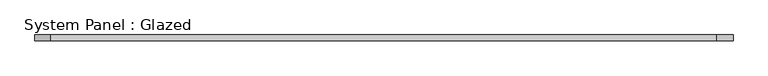
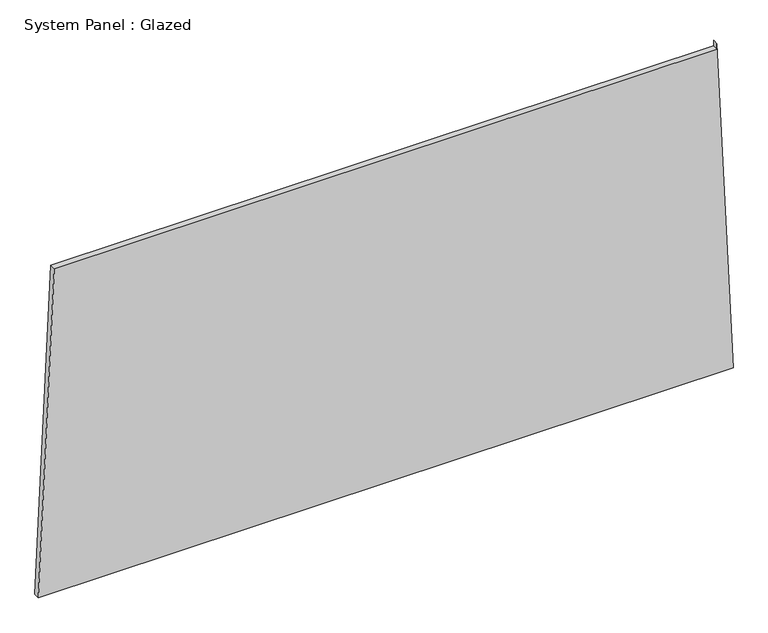
"""IFC4 building model written with IfcOpenShell, lengths in millimetres: plate geometry, System Panel : Glazed."""

import ifcopenshell
import ifcopenshell.guid

model = None  # the IFC model being written
_history = None  # IfcOwnerHistory: only IFC2X3 demands one
_inside = {}  # id of a spatial element -> (the spatial element, [elements in it])
_under = {}  # id of a project, library or spatial element -> (it, [spatial elements below it])
_declared = {}  # id of a project -> (the project, [libraries it declares])
_typed = {}  # id of a type object -> (the type object, [elements of that type])
_made_of = {}  # id of a material, layer set ... -> (it, [elements and type objects made of it])


def new_model(schema):
    """Start an empty IFC model of exactly this schema.

    Asked for "IFC4X3", IfcOpenShell would pick the latest addendum, in which some entities
    have other attributes; the version numbers below select the first issue.
    IFC2X3 requires an IfcOwnerHistory on every rooted entity: one is made here for all.
    """
    global model, _history
    if schema == "IFC4X3":
        model = ifcopenshell.file(schema_version=(4, 3, 0, 0))
    else:
        model = ifcopenshell.file(schema=schema)
    _inside.clear()
    _under.clear()
    _declared.clear()
    _typed.clear()
    _made_of.clear()
    _history = None
    if model.schema == "IFC2X3":
        org = make("IfcOrganization", Name="unknown")
        user = make(
            "IfcPersonAndOrganization",
            ThePerson=make("IfcPerson", FamilyName="unknown"),
            TheOrganization=org,
        )
        app = make(
            "IfcApplication",
            ApplicationDeveloper=org,
            Version="unknown",
            ApplicationFullName="unknown",
            ApplicationIdentifier="unknown",
        )
        _history = make(
            "IfcOwnerHistory",
            OwningUser=user,
            OwningApplication=app,
            ChangeAction="ADDED",
            CreationDate=0,
        )
    return model


def make(cls, **values):
    """One entity of the class cls with the attributes given. An attribute that is None is left unset."""
    return model.create_entity(
        cls, **{name: value for name, value in values.items() if value is not None}
    )


def rooted(cls, **values):
    """An entity with a GlobalId (a new one), such as an element, a storey or a relation."""
    return make(cls, GlobalId=ifcopenshell.guid.new(), OwnerHistory=_history, **values)


def si_unit(unit_type, name, prefix=None):
    """IfcSIUnit, for example si_unit("LENGTHUNIT", "METRE", prefix="MILLI")."""
    return make("IfcSIUnit", UnitType=unit_type, Prefix=prefix, Name=name)


def assignment(units):
    """IfcUnitAssignment: the units of a project."""
    return None if units is None else make("IfcUnitAssignment", Units=units)


def point(xyz):
    """IfcCartesianPoint."""
    return None if xyz is None else make("IfcCartesianPoint", Coordinates=xyz)


def direction(xyz):
    """IfcDirection."""
    return None if xyz is None else make("IfcDirection", DirectionRatios=xyz)


def frame(location, z_axis=None, x_axis=None):
    """IfcAxis2Placement3D, a coordinate frame: its origin and axes. An axis left out is left unset."""
    return make(
        "IfcAxis2Placement3D",
        Location=point(location),
        Axis=direction(z_axis),
        RefDirection=direction(x_axis),
    )


def origin():
    """The frame at (0, 0, 0) with its axes left unset."""
    return frame((0.0, 0.0, 0.0))


def place(relative_to, where):
    """IfcLocalPlacement: puts the frame where relative to a parent placement (None: the world)."""
    return make(
        "IfcLocalPlacement", PlacementRelTo=relative_to, RelativePlacement=where
    )


def context(
    kind, dimensions, precision=None, world=None, true_north=None, identifier=None
):
    """IfcGeometricRepresentationContext, for example the 3D "Model" context."""
    return make(
        "IfcGeometricRepresentationContext",
        ContextIdentifier=identifier,
        ContextType=kind,
        CoordinateSpaceDimension=dimensions,
        Precision=precision,
        WorldCoordinateSystem=world,
        TrueNorth=true_north,
    )


def project(units=None, contexts=None):
    """IfcProject with its units and contexts."""
    return rooted(
        "IfcProject",
        Name="project",
        RepresentationContexts=contexts,
        UnitsInContext=assignment(units),
    )


def spatial(cls, under=None, at=None, **own):
    """A site, building, storey or space (cls), placed at a placement, below another one or the project."""
    s = rooted(cls, ObjectPlacement=at, **own)
    if under is not None:
        _under.setdefault(under.id(), (under, []))[1].append(s)
    return s


def polyline(points):
    """IfcPolyline through the points."""
    return make("IfcPolyline", Points=[point(p) for p in points])


def outline(outer, holes=None, kind="AREA"):
    """IfcArbitraryClosedProfileDef: a profile drawn as a closed curve; with holes, ...WithVoids."""
    if holes is None:
        return make("IfcArbitraryClosedProfileDef", ProfileType=kind, OuterCurve=outer)
    return make(
        "IfcArbitraryProfileDefWithVoids",
        ProfileType=kind,
        OuterCurve=outer,
        InnerCurves=holes,
    )


def extrude(swept, where, along, depth):
    """IfcExtrudedAreaSolid: the profile swept, set in the frame where, extruded along a direction by depth."""
    return make(
        "IfcExtrudedAreaSolid",
        SweptArea=swept,
        Position=where,
        ExtrudedDirection=direction(along),
        Depth=depth,
    )


def shape(context_of_items, identifier, shape_type, items):
    """IfcShapeRepresentation: the items that make up one representation, for example the "Body"."""
    return make(
        "IfcShapeRepresentation",
        ContextOfItems=context_of_items,
        RepresentationIdentifier=identifier,
        RepresentationType=shape_type,
        Items=items,
    )


def source(mapping_origin, context_of_items, identifier, shape_type, items):
    """IfcRepresentationMap: a shape defined once, which mapped items show again and again."""
    return make(
        "IfcRepresentationMap",
        MappingOrigin=mapping_origin,
        MappedRepresentation=shape(context_of_items, identifier, shape_type, items),
    )


def transform(
    local_origin,
    x_axis=None,
    y_axis=None,
    z_axis=None,
    scale=None,
    scale2=None,
    scale3=None,
    uniform=True,
):
    """IfcCartesianTransformationOperator3D, or its non-uniform kind. x_axis, y_axis, z_axis: its Axis1, 2, 3."""
    if uniform:
        return make(
            "IfcCartesianTransformationOperator3D",
            Axis1=direction(x_axis),
            Axis2=direction(y_axis),
            LocalOrigin=point(local_origin),
            Scale=scale,
            Axis3=direction(z_axis),
        )
    return make(
        "IfcCartesianTransformationOperator3DnonUniform",
        Axis1=direction(x_axis),
        Axis2=direction(y_axis),
        LocalOrigin=point(local_origin),
        Scale=scale,
        Axis3=direction(z_axis),
        Scale2=scale2,
        Scale3=scale3,
    )


def mapped(mapping_source, mapping_target):
    """IfcMappedItem: shows the shape of a source again, moved by a transform."""
    return make(
        "IfcMappedItem", MappingSource=mapping_source, MappingTarget=mapping_target
    )


def made_of(thing, what):
    """Note that an element or type object is made of a material, layer set ...; save() writes the relation."""
    if what is not None:
        _made_of.setdefault(what.id(), (what, []))[1].append(thing)
    return thing


def element(
    cls,
    number,
    at=None,
    inside=None,
    cuts=None,
    type_object=None,
    material=None,
    context=None,
    identifier="Body",
    shape_type=None,
    held_by="IfcProductDefinitionShape",
    body=None,
    shapes=None,
    **own,
):
    """One element of the class cls, such as IfcWall. Its Tag is "e" and its number.

    at: its placement. inside: the storey or other place that contains it. cuts: it is an
    opening in that element (IfcRelVoidsElement). A single representation is given by context,
    identifier, shape_type and body (its items); several are given by shapes. held_by: the class
    of the entity that holds the representations. save() writes the other relations.
    """
    e = rooted(cls, Tag="e%d" % number, ObjectPlacement=at, **own)
    if body is not None:
        shapes = [shape(context, identifier, shape_type, body)]
    if shapes is not None:
        e.Representation = make(held_by, Representations=shapes)
    if inside is not None:
        _inside.setdefault(inside.id(), (inside, []))[1].append(e)
    if cuts is not None:
        rooted(
            "IfcRelVoidsElement", RelatingBuildingElement=cuts, RelatedOpeningElement=e
        )
    if type_object is not None:
        _typed.setdefault(type_object.id(), (type_object, []))[1].append(e)
    return made_of(e, material)


def aggregate(whole, parts):
    """IfcRelAggregates: a whole, such as a stair, and the parts it consists of."""
    return rooted("IfcRelAggregates", RelatingObject=whole, RelatedObjects=parts)


def save(model, path):
    """Write the relations noted so far, then the file.

    IfcRelAggregates (storeys below a building ...), IfcRelContainedInSpatialStructure (elements
    in a storey), IfcRelDefinesByType, IfcRelAssociatesMaterial and IfcRelDeclares: one each for
    every whole, place, type object, material and project.
    """
    for whole, parts in _under.values():
        aggregate(whole, parts)
    for where, things in _inside.values():
        rooted(
            "IfcRelContainedInSpatialStructure",
            RelatedElements=things,
            RelatingStructure=where,
        )
    for kind, things in _typed.values():
        rooted("IfcRelDefinesByType", RelatedObjects=things, RelatingType=kind)
    for what, things in _made_of.values():
        rooted("IfcRelAssociatesMaterial", RelatedObjects=things, RelatingMaterial=what)
    for by, libraries in _declared.values():
        rooted("IfcRelDeclares", RelatingContext=by, RelatedDefinitions=libraries)
    model.write(path)


def system_panel_glazed_3f0845c0(model_context):
    return source(origin(), model_context, "Body", "SweptSolid", [
        extrude(outline(polyline([(0.0, -1495.0983027), (0.0, 1495.0983027), (1498.3766304, 1425.3487113), (1473.3766304, 1425.3487108), (1473.3766855, -1426.5124184), (0.0, -1495.0983027)])), frame((0.0, -49.5, 0.0), z_axis=(0.0, 1.0, 0.0), x_axis=(0.0, 0.0, 1.0)), (0.0, 0.0, 1.0), 25.0),
    ])


if __name__ == "__main__":
    model = new_model("IFC4")
    model_context = context("Model", 3, world=origin())
    ifc_project = project(units=[si_unit("LENGTHUNIT", "METRE", prefix="MILLI")], contexts=[model_context])
    site = spatial("IfcSite", under=ifc_project)
    building = spatial("IfcBuilding", under=site)
    placement = place(None, origin())
    system_panel_glazed_shape = system_panel_glazed_3f0845c0(model_context)
    element("IfcPlate", 1, ObjectType="System Panel : Glazed", at=placement, inside=building, context=model_context, shape_type="MappedRepresentation", body=[
        mapped(system_panel_glazed_shape, transform((0.0, 0.0, 0.0), x_axis=(1.0, 0.0, 0.0), y_axis=(0.0, 1.0, 0.0), z_axis=(0.0, 0.0, 1.0))),
    ])
    save(model, "model.ifc")
